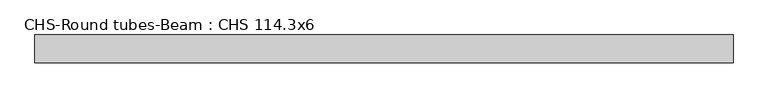
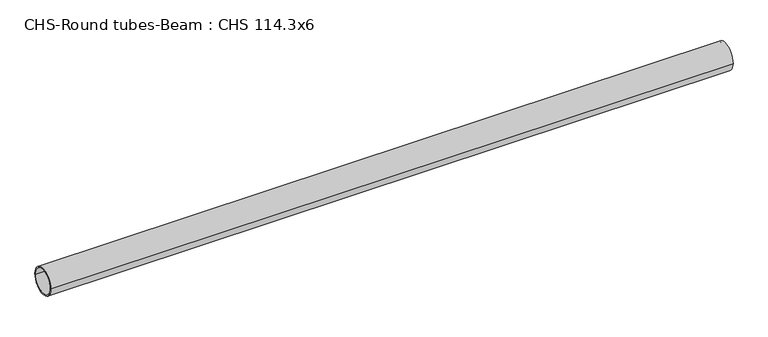
"""IFC4 building model written with IfcOpenShell, lengths in millimetres: beam geometry, CHS-Round tubes-Beam : CHS 114.3x6."""

from ifc_helpers import new_model, si_unit, point, frame, origin, origin_2d, place, context, project, spatial, circle_curve, trimmed, segment, composite_curve, outline, extrude, source, transform, mapped, element, save


def chs_round_tubes_beam_chs_114_3x6_4d545e5b(model_context):
    return source(origin(), model_context, "Body", "SweptSolid", [
        extrude(outline(composite_curve([segment(trimmed(circle_curve(origin_2d(), 57.15), [point((57.15, 0.0))], [point((-57.15, 0.0))], False, "CARTESIAN"), True, "CONTINUOUS"), segment(trimmed(circle_curve(origin_2d(), 57.15), [point((-57.15, 0.0))], [point((57.15, 0.0))], False, "CARTESIAN"), True, "CONTINUOUS")], self_intersect=False), holes=[composite_curve([segment(trimmed(circle_curve(origin_2d(), 51.15), [point((51.15, 0.0))], [point((-51.15, 0.0))], True, "CARTESIAN"), True, "CONTINUOUS"), segment(trimmed(circle_curve(origin_2d(), 51.15), [point((-51.15, 0.0))], [point((51.15, 0.0))], True, "CARTESIAN"), True, "CONTINUOUS")], self_intersect=False)]), frame((-1434.1993922, 0.0, 0.0), z_axis=(1.0, 0.0, 0.0), x_axis=(0.0, 1.0, 0.0)), (0.0, 0.0, 1.0), 2853.0496601),
    ])


if __name__ == "__main__":
    model = new_model("IFC4")
    model_context = context("Model", 3, world=origin())
    ifc_project = project(units=[si_unit("LENGTHUNIT", "METRE", prefix="MILLI")], contexts=[model_context])
    site = spatial("IfcSite", under=ifc_project)
    building = spatial("IfcBuilding", under=site)
    placement = place(None, origin())
    chs_round_tubes_beam_chs_114_3x6_shape = chs_round_tubes_beam_chs_114_3x6_4d545e5b(model_context)
    element("IfcBeam", 1, ObjectType="CHS-Round tubes-Beam : CHS 114.3x6", at=placement, inside=building, context=model_context, shape_type="MappedRepresentation", body=[
        mapped(chs_round_tubes_beam_chs_114_3x6_shape, transform((0.0, 0.0, 0.0), x_axis=(1.0, 0.0, 0.0), y_axis=(0.0, 1.0, 0.0), z_axis=(0.0, 0.0, 1.0))),
    ])
    save(model, "model.ifc")
